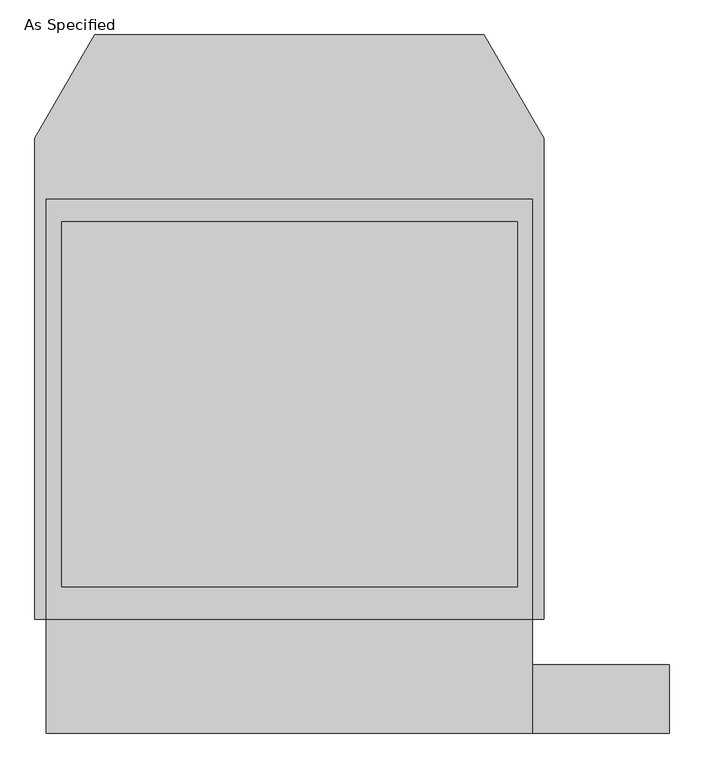
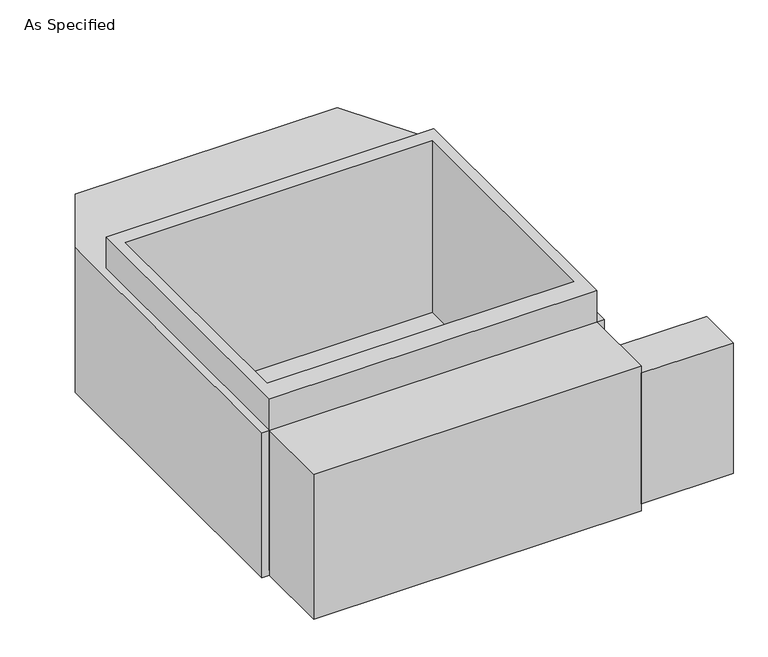
"""IFC4 building model written with IfcOpenShell, lengths in millimetres: proxy geometry, As Specified."""

import ifcopenshell
import ifcopenshell.guid

model = None  # the IFC model being written
_history = None  # IfcOwnerHistory: only IFC2X3 demands one
_inside = {}  # id of a spatial element -> (the spatial element, [elements in it])
_under = {}  # id of a project, library or spatial element -> (it, [spatial elements below it])
_declared = {}  # id of a project -> (the project, [libraries it declares])
_typed = {}  # id of a type object -> (the type object, [elements of that type])
_made_of = {}  # id of a material, layer set ... -> (it, [elements and type objects made of it])


def new_model(schema):
    """Start an empty IFC model of exactly this schema.

    Asked for "IFC4X3", IfcOpenShell would pick the latest addendum, in which some entities
    have other attributes; the version numbers below select the first issue.
    IFC2X3 requires an IfcOwnerHistory on every rooted entity: one is made here for all.
    """
    global model, _history
    if schema == "IFC4X3":
        model = ifcopenshell.file(schema_version=(4, 3, 0, 0))
    else:
        model = ifcopenshell.file(schema=schema)
    _inside.clear()
    _under.clear()
    _declared.clear()
    _typed.clear()
    _made_of.clear()
    _history = None
    if model.schema == "IFC2X3":
        org = make("IfcOrganization", Name="unknown")
        user = make(
            "IfcPersonAndOrganization",
            ThePerson=make("IfcPerson", FamilyName="unknown"),
            TheOrganization=org,
        )
        app = make(
            "IfcApplication",
            ApplicationDeveloper=org,
            Version="unknown",
            ApplicationFullName="unknown",
            ApplicationIdentifier="unknown",
        )
        _history = make(
            "IfcOwnerHistory",
            OwningUser=user,
            OwningApplication=app,
            ChangeAction="ADDED",
            CreationDate=0,
        )
    return model


def make(cls, **values):
    """One entity of the class cls with the attributes given. An attribute that is None is left unset."""
    return model.create_entity(
        cls, **{name: value for name, value in values.items() if value is not None}
    )


def rooted(cls, **values):
    """An entity with a GlobalId (a new one), such as an element, a storey or a relation."""
    return make(cls, GlobalId=ifcopenshell.guid.new(), OwnerHistory=_history, **values)


def si_unit(unit_type, name, prefix=None):
    """IfcSIUnit, for example si_unit("LENGTHUNIT", "METRE", prefix="MILLI")."""
    return make("IfcSIUnit", UnitType=unit_type, Prefix=prefix, Name=name)


def assignment(units):
    """IfcUnitAssignment: the units of a project."""
    return None if units is None else make("IfcUnitAssignment", Units=units)


def point(xyz):
    """IfcCartesianPoint."""
    return None if xyz is None else make("IfcCartesianPoint", Coordinates=xyz)


def direction(xyz):
    """IfcDirection."""
    return None if xyz is None else make("IfcDirection", DirectionRatios=xyz)


def frame(location, z_axis=None, x_axis=None):
    """IfcAxis2Placement3D, a coordinate frame: its origin and axes. An axis left out is left unset."""
    return make(
        "IfcAxis2Placement3D",
        Location=point(location),
        Axis=direction(z_axis),
        RefDirection=direction(x_axis),
    )


def origin():
    """The frame at (0, 0, 0) with its axes left unset."""
    return frame((0.0, 0.0, 0.0))


def place(relative_to, where):
    """IfcLocalPlacement: puts the frame where relative to a parent placement (None: the world)."""
    return make(
        "IfcLocalPlacement", PlacementRelTo=relative_to, RelativePlacement=where
    )


def context(
    kind, dimensions, precision=None, world=None, true_north=None, identifier=None
):
    """IfcGeometricRepresentationContext, for example the 3D "Model" context."""
    return make(
        "IfcGeometricRepresentationContext",
        ContextIdentifier=identifier,
        ContextType=kind,
        CoordinateSpaceDimension=dimensions,
        Precision=precision,
        WorldCoordinateSystem=world,
        TrueNorth=true_north,
    )


def project(units=None, contexts=None):
    """IfcProject with its units and contexts."""
    return rooted(
        "IfcProject",
        Name="project",
        RepresentationContexts=contexts,
        UnitsInContext=assignment(units),
    )


def spatial(cls, under=None, at=None, **own):
    """A site, building, storey or space (cls), placed at a placement, below another one or the project."""
    s = rooted(cls, ObjectPlacement=at, **own)
    if under is not None:
        _under.setdefault(under.id(), (under, []))[1].append(s)
    return s


def polyline(points):
    """IfcPolyline through the points."""
    return make("IfcPolyline", Points=[point(p) for p in points])


def outline(outer, holes=None, kind="AREA"):
    """IfcArbitraryClosedProfileDef: a profile drawn as a closed curve; with holes, ...WithVoids."""
    if holes is None:
        return make("IfcArbitraryClosedProfileDef", ProfileType=kind, OuterCurve=outer)
    return make(
        "IfcArbitraryProfileDefWithVoids",
        ProfileType=kind,
        OuterCurve=outer,
        InnerCurves=holes,
    )


def extrude(swept, where, along, depth):
    """IfcExtrudedAreaSolid: the profile swept, set in the frame where, extruded along a direction by depth."""
    return make(
        "IfcExtrudedAreaSolid",
        SweptArea=swept,
        Position=where,
        ExtrudedDirection=direction(along),
        Depth=depth,
    )


def faces_of(points, faces, orient=None, outer=None):
    """IfcFace entities. A face is a list of loops; a loop is a list of indices into points, from 0.

    orient and outer hold one flag for each loop. By default every Orientation is true, the
    first loop of a face is its IfcFaceOuterBound and the others are IfcFaceBound.
    """
    made = []
    for i, loops in enumerate(faces):
        bounds = []
        for j, loop in enumerate(loops):
            is_outer = j == 0 if outer is None else outer[i][j]
            bounds.append(
                make(
                    "IfcFaceOuterBound" if is_outer else "IfcFaceBound",
                    Bound=make("IfcPolyLoop", Polygon=[points[k] for k in loop]),
                    Orientation=True if orient is None else orient[i][j],
                )
            )
        made.append(make("IfcFace", Bounds=bounds))
    return made


def faceted_brep(points, faces, orient=None, outer=None, voids=None):
    """IfcFacetedBrep: a solid bounded by flat faces; with voids (closed shells), ...WithVoids."""
    shared = [point(p) for p in points]
    hull = make("IfcClosedShell", CfsFaces=faces_of(shared, faces, orient, outer))
    if voids is None:
        return make("IfcFacetedBrep", Outer=hull)
    return make(
        "IfcFacetedBrepWithVoids",
        Outer=hull,
        Voids=[
            make(cls, CfsFaces=faces_of(shared, fs, o, b)) for cls, fs, o, b in voids
        ],
    )


def shape(context_of_items, identifier, shape_type, items):
    """IfcShapeRepresentation: the items that make up one representation, for example the "Body"."""
    return make(
        "IfcShapeRepresentation",
        ContextOfItems=context_of_items,
        RepresentationIdentifier=identifier,
        RepresentationType=shape_type,
        Items=items,
    )


def source(mapping_origin, context_of_items, identifier, shape_type, items):
    """IfcRepresentationMap: a shape defined once, which mapped items show again and again."""
    return make(
        "IfcRepresentationMap",
        MappingOrigin=mapping_origin,
        MappedRepresentation=shape(context_of_items, identifier, shape_type, items),
    )


def transform(
    local_origin,
    x_axis=None,
    y_axis=None,
    z_axis=None,
    scale=None,
    scale2=None,
    scale3=None,
    uniform=True,
):
    """IfcCartesianTransformationOperator3D, or its non-uniform kind. x_axis, y_axis, z_axis: its Axis1, 2, 3."""
    if uniform:
        return make(
            "IfcCartesianTransformationOperator3D",
            Axis1=direction(x_axis),
            Axis2=direction(y_axis),
            LocalOrigin=point(local_origin),
            Scale=scale,
            Axis3=direction(z_axis),
        )
    return make(
        "IfcCartesianTransformationOperator3DnonUniform",
        Axis1=direction(x_axis),
        Axis2=direction(y_axis),
        LocalOrigin=point(local_origin),
        Scale=scale,
        Axis3=direction(z_axis),
        Scale2=scale2,
        Scale3=scale3,
    )


def mapped(mapping_source, mapping_target):
    """IfcMappedItem: shows the shape of a source again, moved by a transform."""
    return make(
        "IfcMappedItem", MappingSource=mapping_source, MappingTarget=mapping_target
    )


def made_of(thing, what):
    """Note that an element or type object is made of a material, layer set ...; save() writes the relation."""
    if what is not None:
        _made_of.setdefault(what.id(), (what, []))[1].append(thing)
    return thing


def element(
    cls,
    number,
    at=None,
    inside=None,
    cuts=None,
    type_object=None,
    material=None,
    context=None,
    identifier="Body",
    shape_type=None,
    held_by="IfcProductDefinitionShape",
    body=None,
    shapes=None,
    **own,
):
    """One element of the class cls, such as IfcWall. Its Tag is "e" and its number.

    at: its placement. inside: the storey or other place that contains it. cuts: it is an
    opening in that element (IfcRelVoidsElement). A single representation is given by context,
    identifier, shape_type and body (its items); several are given by shapes. held_by: the class
    of the entity that holds the representations. save() writes the other relations.
    """
    e = rooted(cls, Tag="e%d" % number, ObjectPlacement=at, **own)
    if body is not None:
        shapes = [shape(context, identifier, shape_type, body)]
    if shapes is not None:
        e.Representation = make(held_by, Representations=shapes)
    if inside is not None:
        _inside.setdefault(inside.id(), (inside, []))[1].append(e)
    if cuts is not None:
        rooted(
            "IfcRelVoidsElement", RelatingBuildingElement=cuts, RelatedOpeningElement=e
        )
    if type_object is not None:
        _typed.setdefault(type_object.id(), (type_object, []))[1].append(e)
    return made_of(e, material)


def aggregate(whole, parts):
    """IfcRelAggregates: a whole, such as a stair, and the parts it consists of."""
    return rooted("IfcRelAggregates", RelatingObject=whole, RelatedObjects=parts)


def save(model, path):
    """Write the relations noted so far, then the file.

    IfcRelAggregates (storeys below a building ...), IfcRelContainedInSpatialStructure (elements
    in a storey), IfcRelDefinesByType, IfcRelAssociatesMaterial and IfcRelDeclares: one each for
    every whole, place, type object, material and project.
    """
    for whole, parts in _under.values():
        aggregate(whole, parts)
    for where, things in _inside.values():
        rooted(
            "IfcRelContainedInSpatialStructure",
            RelatedElements=things,
            RelatingStructure=where,
        )
    for kind, things in _typed.values():
        rooted("IfcRelDefinesByType", RelatedObjects=things, RelatingType=kind)
    for what, things in _made_of.values():
        rooted("IfcRelAssociatesMaterial", RelatedObjects=things, RelatingMaterial=what)
    for by, libraries in _declared.values():
        rooted("IfcRelDeclares", RelatingContext=by, RelatedDefinitions=libraries)
    model.write(path)


def as_specified_44fd4bb5(model_context):
    return source(origin(), model_context, "Body", "SolidModel", [
        extrude(outline(polyline([(812.8, -1166.5148438), (812.8, -937.9148438), (1270.0, -937.9148438), (1270.0, -1166.5148438), (812.8, -1166.5148438)])), frame((0.0, 0.0, -749.3), z_axis=(0.0, 0.0, 1.0), x_axis=(1.0, 0.0, 0.0)), (0.0, 0.0, 1.0), 685.8),
        extrude(outline(polyline([(812.8, 617.8351562), (812.8, -785.5148438), (-812.8, -785.5148438), (-812.8, 617.8351562), (812.8, 617.8351562)]), holes=[polyline([(-762.0, 541.6748437), (-762.0, -677.5251563), (762.0, -677.5251563), (762.0, 541.6748437), (-762.0, 541.6748437)])]), frame((0.0, 0.0, -762.0), z_axis=(0.0, 0.0, 1.0), x_axis=(1.0, 0.0, 0.0)), (0.0, 0.0, 1.0), 901.7),
        faceted_brep([(812.8, -1166.5148438, -787.4), (-812.8, -1166.5148438, -787.4), (-812.8, -785.5148438, -787.4), (-850.9, -785.5148438, -787.4), (-850.9, 821.0748437, -787.4), (-651.460123, 1166.5148437, -787.4), (651.460123, 1166.5148437, -787.4), (850.9, 821.0748437, -787.4), (850.9, -785.5148438, -787.4), (812.8, -785.5148438, -787.4), (812.8, -1166.5148438, -25.4), (812.8, -785.5148438, -25.4), (850.9, -785.5148438, -25.4), (850.9, 821.0748437, -25.4), (651.460123, 1166.5148437, -25.4), (-651.460123, 1166.5148437, -25.4), (-850.9, 821.0748437, -25.4), (-850.9, -785.5148438, -25.4), (-812.8, -785.5148438, -25.4), (-812.8, -1166.5148438, -25.4), (762.0, 541.6748437, -25.4), (762.0, -677.5251563, -25.4), (-762.0, -677.5251563, -25.4), (-762.0, 541.6748437, -25.4), (762.0, 541.6748437, -762.0), (-762.0, 541.6748437, -762.0), (-762.0, -677.5251563, -762.0), (762.0, -677.5251563, -762.0)], [[[0, 1, 2, 3, 4, 5, 6, 7, 8, 9]], [[10, 11, 12, 13, 14, 15, 16, 17, 18, 19], [20, 21, 22, 23]], [[6, 5, 15, 14]], [[3, 17, 16, 4]], [[17, 3, 2, 18]], [[8, 12, 11, 9]], [[12, 8, 7, 13]], [[0, 9, 11, 10]], [[2, 1, 19, 18]], [[1, 0, 10, 19]], [[5, 4, 16, 15]], [[7, 6, 14, 13]], [[24, 25, 26, 27]], [[24, 27, 21, 20]], [[27, 26, 22, 21]], [[26, 25, 23, 22]], [[25, 24, 20, 23]]]),
    ])


if __name__ == "__main__":
    model = new_model("IFC4")
    model_context = context("Model", 3, world=origin())
    ifc_project = project(units=[si_unit("LENGTHUNIT", "METRE", prefix="MILLI")], contexts=[model_context])
    site = spatial("IfcSite", under=ifc_project)
    building = spatial("IfcBuilding", under=site)
    placement = place(None, origin())
    as_specified_shape = as_specified_44fd4bb5(model_context)
    element("IfcBuildingElementProxy", 1, Name="As Specified", ObjectType="As Specified", at=placement, inside=building, context=model_context, shape_type="MappedRepresentation", body=[
        mapped(as_specified_shape, transform((0.0, 0.0, 0.0), x_axis=(1.0, 0.0, 0.0), y_axis=(0.0, 1.0, 0.0), z_axis=(0.0, 0.0, 1.0))),
    ])
    save(model, "model.ifc")
